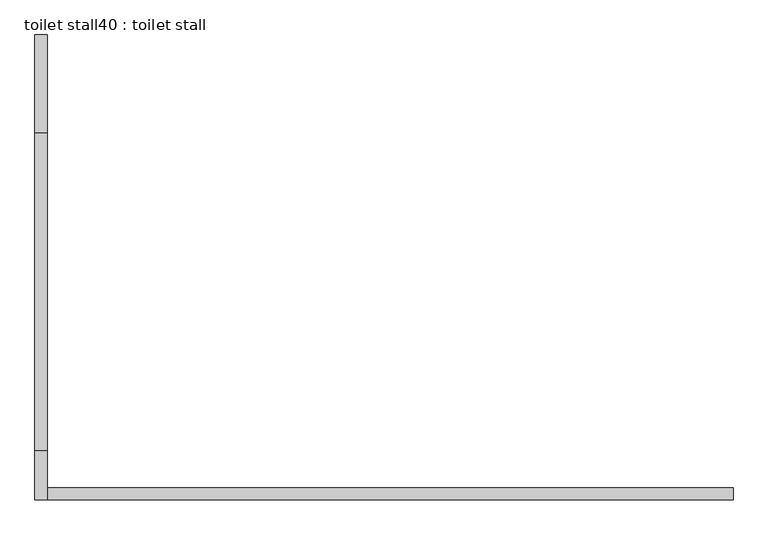
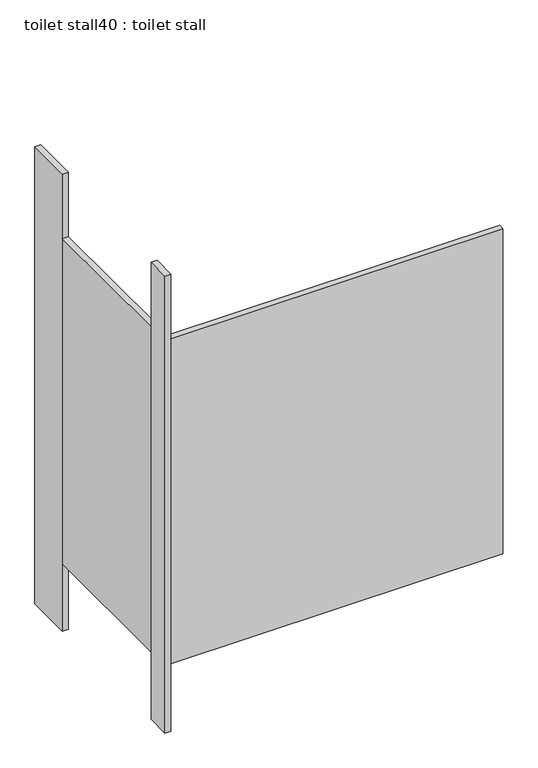
"""IFC4 building model written with IfcOpenShell, lengths in millimetres: proxy geometry, toilet stall40 : toilet stall."""

from ifc_helpers import new_model, si_unit, frame, origin, origin_with_axes, place, context, project, spatial, polyline, outline, extrude, source, transform, mapped, element, save


def toilet_stall40_toilet_stall_2c0dd01d(model_context):
    return source(origin(), model_context, "Body", "SweptSolid", [
        extrude(outline(polyline([(454658.2004676, -270520.2988632), (454632.8004676, -270520.2988632), (454632.8004676, -270317.0988632), (454658.2004676, -270317.0988632), (454658.2004676, -270520.2988632)])), origin_with_axes(), (0.0, 0.0, 1.0), 2070.1),
        extrude(outline(polyline([(454658.2004676, -271282.2988632), (454632.8004676, -271282.2988632), (454632.8004676, -271180.6988632), (454658.2004676, -271180.6988632), (454658.2004676, -271282.2988632)])), origin_with_axes(), (0.0, 0.0, 1.0), 2070.1),
        extrude(outline(polyline([(454658.2004676, -271282.2988632), (454658.2004676, -271256.8988632), (456080.6004676, -271256.8988632), (456080.6004676, -271282.2988632), (454658.2004676, -271282.2988632)])), frame((0.0, 0.0, 304.8), z_axis=(0.0, 0.0, 1.0), x_axis=(1.0, 0.0, 0.0)), (0.0, 0.0, 1.0), 1473.2),
        extrude(outline(polyline([(454658.2004676, -271180.6988632), (454632.8004676, -271180.6988632), (454632.8004676, -270520.2988632), (454658.2004676, -270520.2988632), (454658.2004676, -271180.6988632)])), frame((0.0, 0.0, 304.8), z_axis=(0.0, 0.0, 1.0), x_axis=(1.0, 0.0, 0.0)), (0.0, 0.0, 1.0), 1473.2),
    ])


if __name__ == "__main__":
    model = new_model("IFC4")
    model_context = context("Model", 3, world=origin())
    ifc_project = project(units=[si_unit("LENGTHUNIT", "METRE", prefix="MILLI")], contexts=[model_context])
    site = spatial("IfcSite", under=ifc_project)
    building = spatial("IfcBuilding", under=site)
    placement = place(None, origin())
    toilet_stall40_toilet_stall_shape = toilet_stall40_toilet_stall_2c0dd01d(model_context)
    element("IfcBuildingElementProxy", 1, Name="toilet stall40 : toilet stall", ObjectType="toilet stall40 : toilet stall", at=placement, inside=building, context=model_context, shape_type="MappedRepresentation", body=[
        mapped(toilet_stall40_toilet_stall_shape, transform((0.0, 0.0, 0.0), x_axis=(1.0, 0.0, 0.0), y_axis=(0.0, 1.0, 0.0), z_axis=(0.0, 0.0, 1.0))),
    ])
    save(model, "model.ifc")
